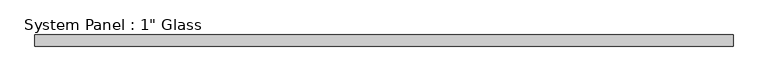
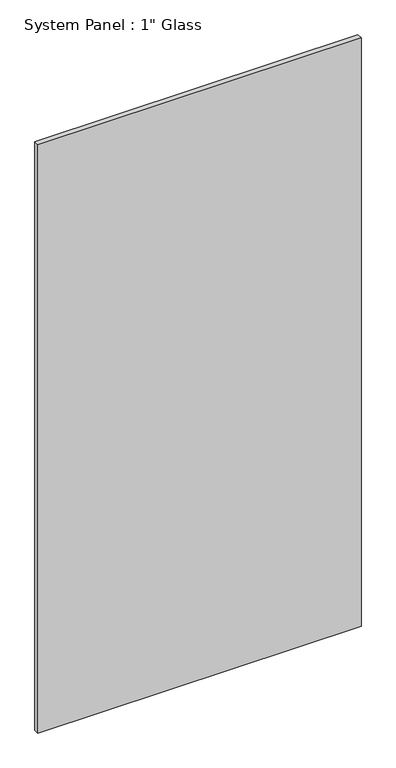
"""IFC4 building model written with IfcOpenShell, lengths in millimetres: plate geometry."""

from ifc_helpers import new_model, si_unit, origin, origin_with_axes, place, context, project, spatial, polyline, outline, extrude, source, transform, mapped, element, save


def plate_3f0888b4(model_context):
    return source(origin(), model_context, "Body", "SweptSolid", [
        extrude(outline(polyline([(768.7841185, -12.7), (-768.7841185, -12.7), (-768.7841185, 12.7), (768.7841185, 12.7), (768.7841185, -12.7)])), origin_with_axes(), (0.0, 0.0, 1.0), 2959.1),
    ])


if __name__ == "__main__":
    model = new_model("IFC4")
    model_context = context("Model", 3, world=origin())
    ifc_project = project(units=[si_unit("LENGTHUNIT", "METRE", prefix="MILLI")], contexts=[model_context])
    site = spatial("IfcSite", under=ifc_project)
    building = spatial("IfcBuilding", under=site)
    placement = place(None, origin())
    plate_shape = plate_3f0888b4(model_context)
    element("IfcPlate", 1, ObjectType="System Panel : 1\" Glass", at=placement, inside=building, context=model_context, shape_type="MappedRepresentation", body=[
        mapped(plate_shape, transform((0.0, 0.0, 0.0), x_axis=(1.0, 0.0, 0.0), y_axis=(0.0, 1.0, 0.0), z_axis=(0.0, 0.0, 1.0))),
    ])
    save(model, "model.ifc")
